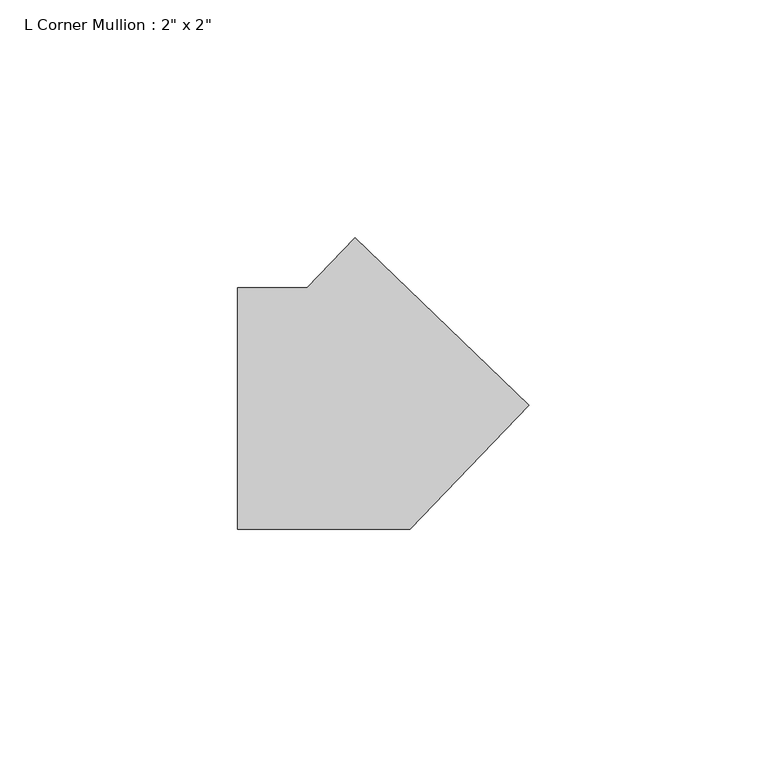
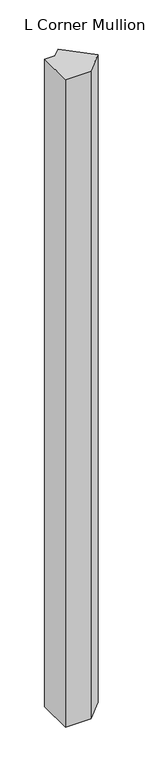
"""IFC4 building model written with IfcOpenShell, lengths in millimetres: member geometry."""

from ifc_helpers import new_model, si_unit, frame, origin, place, context, project, spatial, polyline, outline, extrude, source, transform, mapped, element, save


def member_3e5c5c0e(model_context):
    return source(origin(), model_context, "Body", "SweptSolid", [
        extrude(outline(polyline([(35.913317, 0.7440862), (10.8305964, -25.4), (-25.4, -25.4), (-25.4, 25.4), (-10.8305964, 25.4), (-0.7440862, 35.913317), (35.913317, 0.7440862)])), frame((0.0, 0.0, -972.3619297), z_axis=(0.0, 0.0, 1.0), x_axis=(1.0, 0.0, 0.0)), (0.0, 0.0, 1.0), 972.3619297),
    ])


if __name__ == "__main__":
    model = new_model("IFC4")
    model_context = context("Model", 3, world=origin())
    ifc_project = project(units=[si_unit("LENGTHUNIT", "METRE", prefix="MILLI")], contexts=[model_context])
    site = spatial("IfcSite", under=ifc_project)
    building = spatial("IfcBuilding", under=site)
    placement = place(None, origin())
    member_shape = member_3e5c5c0e(model_context)
    element("IfcMember", 1, ObjectType="L Corner Mullion : 2\" x 2\"", at=placement, inside=building, context=model_context, shape_type="MappedRepresentation", body=[
        mapped(member_shape, transform((0.0, 0.0, 0.0), x_axis=(1.0, 0.0, 0.0), y_axis=(0.0, 1.0, 0.0), z_axis=(0.0, 0.0, 1.0))),
    ])
    save(model, "model.ifc")
